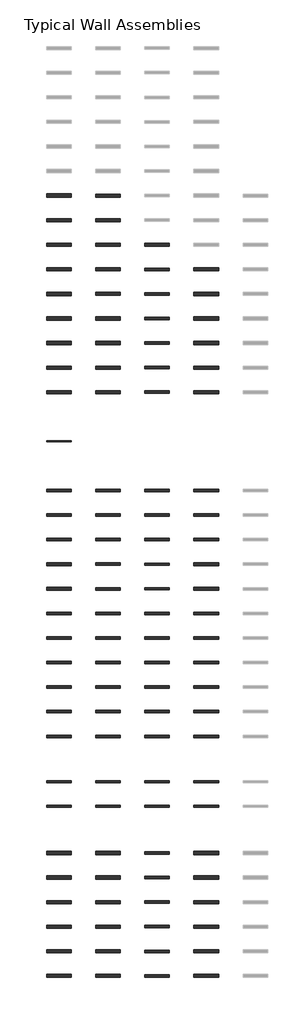
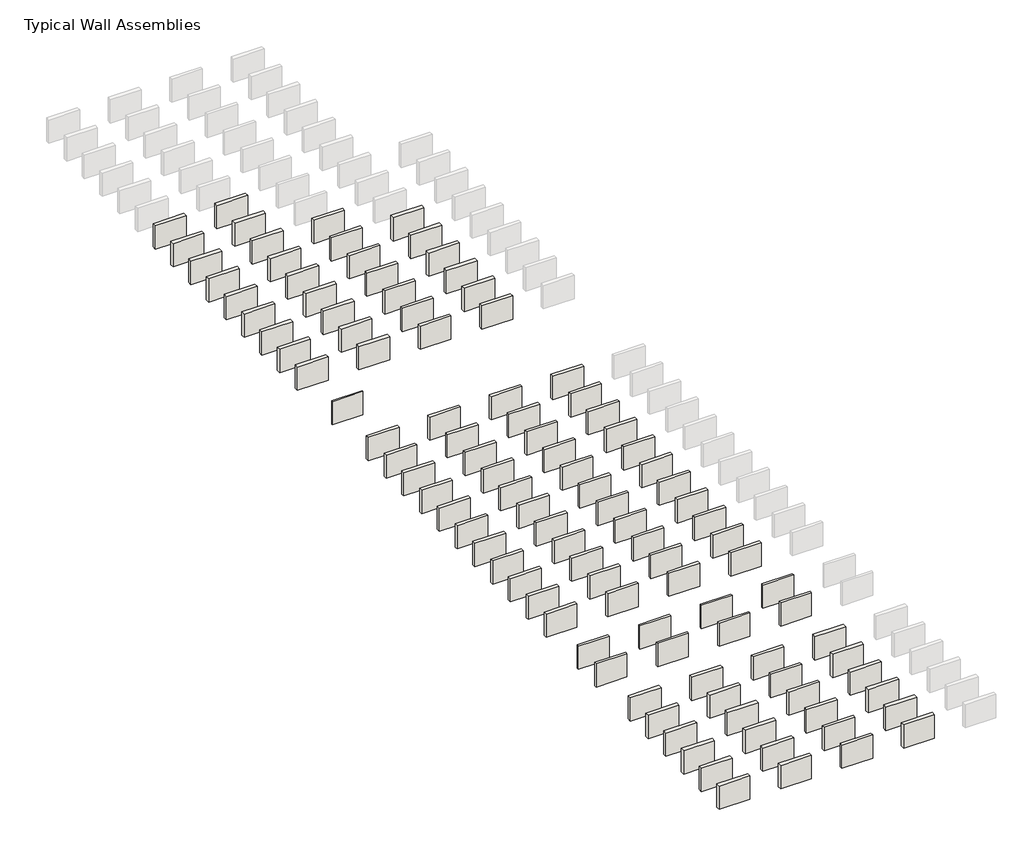
# One storey, part 1 of 8: 108 walls.
"""IFC4 building model written with IfcOpenShell, lengths in millimetres."""

from ifc_helpers import new_model, si_unit, frame, origin, place, context, project, spatial, polyline, outline, extrude, element, save

model = new_model("IFC4")

# Units and contexts
model_context = context("Model", 3, world=origin())
ifc_project = project(units=[si_unit("LENGTHUNIT", "METRE", prefix="MILLI")], contexts=[model_context])

# Site, building, storey
site = spatial("IfcSite", under=ifc_project)
building = spatial("IfcBuilding", under=site)
storey = spatial("IfcBuildingStorey", under=building, Name="Typical Wall Assemblies", Elevation=6096.0)

# Walls
placement = place(None, origin())
element("IfcWall", 1, at=placement, inside=storey, context=model_context, shape_type="SweptSolid", body=[
    extrude(outline(polyline([(-21027.125069, -114812.6467556), (-24075.125069, -114812.6467556), (-24075.125069, -114414.1842494), (-21027.125069, -114414.1842494), (-21027.125069, -114812.6467556)])), frame((0.0, 0.0, 6096.0), z_axis=(0.0, 0.0, 1.0), x_axis=(1.0, 0.0, 0.0)), (0.0, 0.0, 1.0), 2438.4),
])
element("IfcWall", 2, at=placement, inside=storey, context=model_context, shape_type="SweptSolid", body=[
    extrude(outline(polyline([(-14931.125069, -114807.8842556), (-17979.125069, -114807.8842556), (-17979.125069, -114418.9467494), (-14931.125069, -114418.9467494), (-14931.125069, -114807.8842556)])), frame((0.0, 0.0, 6096.0), z_axis=(0.0, 0.0, 1.0), x_axis=(1.0, 0.0, 0.0)), (0.0, 0.0, 1.0), 2438.4),
])
element("IfcWall", 3, at=placement, inside=storey, context=model_context, shape_type="SweptSolid", body=[
    extrude(outline(polyline([(-21027.125069, -117860.6467556), (-24075.125069, -117860.6467556), (-24075.125069, -117462.1842494), (-21027.125069, -117462.1842494), (-21027.125069, -117860.6467556)])), frame((0.0, 0.0, 6096.0), z_axis=(0.0, 0.0, 1.0), x_axis=(1.0, 0.0, 0.0)), (0.0, 0.0, 1.0), 2438.4),
])
element("IfcWall", 4, at=placement, inside=storey, context=model_context, shape_type="SweptSolid", body=[
    extrude(outline(polyline([(-14931.125069, -117855.8842556), (-17979.125069, -117855.8842556), (-17979.125069, -117466.9467494), (-14931.125069, -117466.9467494), (-14931.125069, -117855.8842556)])), frame((0.0, 0.0, 6096.0), z_axis=(0.0, 0.0, 1.0), x_axis=(1.0, 0.0, 0.0)), (0.0, 0.0, 1.0), 2438.4),
])
element("IfcWall", 5, at=placement, inside=storey, context=model_context, shape_type="SweptSolid", body=[
    extrude(outline(polyline([(-21027.125069, -120908.6467556), (-24075.125069, -120908.6467556), (-24075.125069, -120510.1842494), (-21027.125069, -120510.1842494), (-21027.125069, -120908.6467556)])), frame((0.0, 0.0, 6096.0), z_axis=(0.0, 0.0, 1.0), x_axis=(1.0, 0.0, 0.0)), (0.0, 0.0, 1.0), 2438.4),
])
element("IfcWall", 6, at=placement, inside=storey, context=model_context, shape_type="SweptSolid", body=[
    extrude(outline(polyline([(-14931.125069, -120903.8842556), (-17979.125069, -120903.8842556), (-17979.125069, -120514.9467494), (-14931.125069, -120514.9467494), (-14931.125069, -120903.8842556)])), frame((0.0, 0.0, 6096.0), z_axis=(0.0, 0.0, 1.0), x_axis=(1.0, 0.0, 0.0)), (0.0, 0.0, 1.0), 2438.4),
])
element("IfcWall", 7, at=placement, inside=storey, context=model_context, shape_type="SweptSolid", body=[
    extrude(outline(polyline([(-8835.125069, -120864.9905038), (-11883.125069, -120864.9905038), (-11883.125069, -120553.8405013), (-8835.125069, -120553.8405013), (-8835.125069, -120864.9905038)])), frame((0.0, 0.0, 6096.0), z_axis=(0.0, 0.0, 1.0), x_axis=(1.0, 0.0, 0.0)), (0.0, 0.0, 1.0), 2438.4),
])
element("IfcWall", 8, at=placement, inside=storey, context=model_context, shape_type="SweptSolid", body=[
    extrude(outline(polyline([(-21027.125069, -123956.6467556), (-24075.125069, -123956.6467556), (-24075.125069, -123558.1842494), (-21027.125069, -123558.1842494), (-21027.125069, -123956.6467556)])), frame((0.0, 0.0, 6096.0), z_axis=(0.0, 0.0, 1.0), x_axis=(1.0, 0.0, 0.0)), (0.0, 0.0, 1.0), 2438.4),
])
element("IfcWall", 9, at=placement, inside=storey, context=model_context, shape_type="SweptSolid", body=[
    extrude(outline(polyline([(-14931.125069, -123951.8842556), (-17979.125069, -123951.8842556), (-17979.125069, -123562.9467494), (-14931.125069, -123562.9467494), (-14931.125069, -123951.8842556)])), frame((0.0, 0.0, 6096.0), z_axis=(0.0, 0.0, 1.0), x_axis=(1.0, 0.0, 0.0)), (0.0, 0.0, 1.0), 2438.4),
])
element("IfcWall", 10, at=placement, inside=storey, context=model_context, shape_type="SweptSolid", body=[
    extrude(outline(polyline([(-8835.125069, -123912.9905038), (-11883.125069, -123912.9905038), (-11883.125069, -123601.8405013), (-8835.125069, -123601.8405013), (-8835.125069, -123912.9905038)])), frame((0.0, 0.0, 6096.0), z_axis=(0.0, 0.0, 1.0), x_axis=(1.0, 0.0, 0.0)), (0.0, 0.0, 1.0), 2438.4),
])
element("IfcWall", 11, at=placement, inside=storey, context=model_context, shape_type="SweptSolid", body=[
    extrude(outline(polyline([(-2739.125069, -123956.6467556), (-5787.125069, -123956.6467556), (-5787.125069, -123558.1842494), (-2739.125069, -123558.1842494), (-2739.125069, -123956.6467556)])), frame((0.0, 0.0, 6096.0), z_axis=(0.0, 0.0, 1.0), x_axis=(1.0, 0.0, 0.0)), (0.0, 0.0, 1.0), 2438.4),
])
element("IfcWall", 12, at=placement, inside=storey, context=model_context, shape_type="SweptSolid", body=[
    extrude(outline(polyline([(-21027.125069, -127004.6467556), (-24075.125069, -127004.6467556), (-24075.125069, -126606.1842494), (-21027.125069, -126606.1842494), (-21027.125069, -127004.6467556)])), frame((0.0, 0.0, 6096.0), z_axis=(0.0, 0.0, 1.0), x_axis=(1.0, 0.0, 0.0)), (0.0, 0.0, 1.0), 2438.4),
])
element("IfcWall", 13, at=placement, inside=storey, context=model_context, shape_type="SweptSolid", body=[
    extrude(outline(polyline([(-14931.125069, -126999.8842556), (-17979.125069, -126999.8842556), (-17979.125069, -126610.9467494), (-14931.125069, -126610.9467494), (-14931.125069, -126999.8842556)])), frame((0.0, 0.0, 6096.0), z_axis=(0.0, 0.0, 1.0), x_axis=(1.0, 0.0, 0.0)), (0.0, 0.0, 1.0), 2438.4),
])
element("IfcWall", 14, at=placement, inside=storey, context=model_context, shape_type="SweptSolid", body=[
    extrude(outline(polyline([(-8835.125069, -126960.9905038), (-11883.125069, -126960.9905038), (-11883.125069, -126649.8405013), (-8835.125069, -126649.8405013), (-8835.125069, -126960.9905038)])), frame((0.0, 0.0, 6096.0), z_axis=(0.0, 0.0, 1.0), x_axis=(1.0, 0.0, 0.0)), (0.0, 0.0, 1.0), 2438.4),
])
element("IfcWall", 15, at=placement, inside=storey, context=model_context, shape_type="SweptSolid", body=[
    extrude(outline(polyline([(-21027.125069, -130052.6467556), (-24075.125069, -130052.6467556), (-24075.125069, -129654.1842494), (-21027.125069, -129654.1842494), (-21027.125069, -130052.6467556)])), frame((0.0, 0.0, 6096.0), z_axis=(0.0, 0.0, 1.0), x_axis=(1.0, 0.0, 0.0)), (0.0, 0.0, 1.0), 2438.4),
])
element("IfcWall", 16, at=placement, inside=storey, context=model_context, shape_type="SweptSolid", body=[
    extrude(outline(polyline([(-14931.125069, -130047.8842556), (-17979.125069, -130047.8842556), (-17979.125069, -129658.9467494), (-14931.125069, -129658.9467494), (-14931.125069, -130047.8842556)])), frame((0.0, 0.0, 6096.0), z_axis=(0.0, 0.0, 1.0), x_axis=(1.0, 0.0, 0.0)), (0.0, 0.0, 1.0), 2438.4),
])
element("IfcWall", 17, at=placement, inside=storey, context=model_context, shape_type="SweptSolid", body=[
    extrude(outline(polyline([(-8835.125069, -130008.9905038), (-11883.125069, -130008.9905038), (-11883.125069, -129697.8405013), (-8835.125069, -129697.8405013), (-8835.125069, -130008.9905038)])), frame((0.0, 0.0, 6096.0), z_axis=(0.0, 0.0, 1.0), x_axis=(1.0, 0.0, 0.0)), (0.0, 0.0, 1.0), 2438.4),
])
element("IfcWall", 18, at=placement, inside=storey, context=model_context, shape_type="SweptSolid", body=[
    extrude(outline(polyline([(-21027.125069, -133100.6467556), (-24075.125069, -133100.6467556), (-24075.125069, -132702.1842494), (-21027.125069, -132702.1842494), (-21027.125069, -133100.6467556)])), frame((0.0, 0.0, 6096.0), z_axis=(0.0, 0.0, 1.0), x_axis=(1.0, 0.0, 0.0)), (0.0, 0.0, 1.0), 2438.4),
])
element("IfcWall", 19, at=placement, inside=storey, context=model_context, shape_type="SweptSolid", body=[
    extrude(outline(polyline([(-14931.125069, -133095.8842556), (-17979.125069, -133095.8842556), (-17979.125069, -132706.9467494), (-14931.125069, -132706.9467494), (-14931.125069, -133095.8842556)])), frame((0.0, 0.0, 6096.0), z_axis=(0.0, 0.0, 1.0), x_axis=(1.0, 0.0, 0.0)), (0.0, 0.0, 1.0), 2438.4),
])
element("IfcWall", 20, at=placement, inside=storey, context=model_context, shape_type="SweptSolid", body=[
    extrude(outline(polyline([(-8835.125069, -133056.9905038), (-11883.125069, -133056.9905038), (-11883.125069, -132745.8405013), (-8835.125069, -132745.8405013), (-8835.125069, -133056.9905038)])), frame((0.0, 0.0, 6096.0), z_axis=(0.0, 0.0, 1.0), x_axis=(1.0, 0.0, 0.0)), (0.0, 0.0, 1.0), 2438.4),
])
element("IfcWall", 21, at=placement, inside=storey, context=model_context, shape_type="SweptSolid", body=[
    extrude(outline(polyline([(-8835.125069, -136104.9905038), (-11883.125069, -136104.9905038), (-11883.125069, -135793.8405013), (-8835.125069, -135793.8405013), (-8835.125069, -136104.9905038)])), frame((0.0, 0.0, 6096.0), z_axis=(0.0, 0.0, 1.0), x_axis=(1.0, 0.0, 0.0)), (0.0, 0.0, 1.0), 2438.4),
])
element("IfcWall", 22, at=placement, inside=storey, context=model_context, shape_type="SweptSolid", body=[
    extrude(outline(polyline([(-8835.125069, -139152.9905038), (-11883.125069, -139152.9905038), (-11883.125069, -138841.8405013), (-8835.125069, -138841.8405013), (-8835.125069, -139152.9905038)])), frame((0.0, 0.0, 6096.0), z_axis=(0.0, 0.0, 1.0), x_axis=(1.0, 0.0, 0.0)), (0.0, 0.0, 1.0), 2438.4),
])
element("IfcWall", 23, at=placement, inside=storey, context=model_context, shape_type="SweptSolid", body=[
    extrude(outline(polyline([(-2739.125069, -139196.6467556), (-5787.125069, -139196.6467556), (-5787.125069, -138798.1842494), (-2739.125069, -138798.1842494), (-2739.125069, -139196.6467556)])), frame((0.0, 0.0, 6096.0), z_axis=(0.0, 0.0, 1.0), x_axis=(1.0, 0.0, 0.0)), (0.0, 0.0, 1.0), 2438.4),
])
element("IfcWall", 24, at=placement, inside=storey, context=model_context, shape_type="SweptSolid", body=[
    extrude(outline(polyline([(-21027.125069, -145144.215504), (-24075.125069, -145144.215504), (-24075.125069, -145042.615501), (-21027.125069, -145042.615501), (-21027.125069, -145144.215504)])), frame((0.0, 0.0, 6096.0), z_axis=(0.0, 0.0, 1.0), x_axis=(1.0, 0.0, 0.0)), (0.0, 0.0, 1.0), 2438.4),
])
element("IfcWall", 25, at=placement, inside=storey, context=model_context, shape_type="SweptSolid", body=[
    extrude(outline(polyline([(-21027.125069, -151352.1342574), (-24075.125069, -151352.1342574), (-24075.125069, -151026.6967477), (-21027.125069, -151026.6967477), (-21027.125069, -151352.1342574)])), frame((0.0, 0.0, 6096.0), z_axis=(0.0, 0.0, 1.0), x_axis=(1.0, 0.0, 0.0)), (0.0, 0.0, 1.0), 2438.4),
])
element("IfcWall", 26, at=placement, inside=storey, context=model_context, shape_type="SweptSolid", body=[
    extrude(outline(polyline([(-14931.125069, -151347.3717574), (-17979.125069, -151347.3717574), (-17979.125069, -151031.4592477), (-14931.125069, -151031.4592477), (-14931.125069, -151347.3717574)])), frame((0.0, 0.0, 6096.0), z_axis=(0.0, 0.0, 1.0), x_axis=(1.0, 0.0, 0.0)), (0.0, 0.0, 1.0), 2438.4),
])
element("IfcWall", 27, at=placement, inside=storey, context=model_context, shape_type="SweptSolid", body=[
    extrude(outline(polyline([(-8835.125069, -151337.0530064), (-11883.125069, -151337.0530064), (-11883.125069, -151041.7779987), (-8835.125069, -151041.7779987), (-8835.125069, -151337.0530064)])), frame((0.0, 0.0, 6096.0), z_axis=(0.0, 0.0, 1.0), x_axis=(1.0, 0.0, 0.0)), (0.0, 0.0, 1.0), 2438.4),
])
element("IfcWall", 28, at=placement, inside=storey, context=model_context, shape_type="SweptSolid", body=[
    extrude(outline(polyline([(-2739.125069, -151352.1342574), (-5787.125069, -151352.1342574), (-5787.125069, -151026.6967477), (-2739.125069, -151026.6967477), (-2739.125069, -151352.1342574)])), frame((0.0, 0.0, 6096.0), z_axis=(0.0, 0.0, 1.0), x_axis=(1.0, 0.0, 0.0)), (0.0, 0.0, 1.0), 2438.4),
])
element("IfcWall", 29, at=placement, inside=storey, context=model_context, shape_type="SweptSolid", body=[
    extrude(outline(polyline([(-21027.125069, -154400.1342574), (-24075.125069, -154400.1342574), (-24075.125069, -154074.6967477), (-21027.125069, -154074.6967477), (-21027.125069, -154400.1342574)])), frame((0.0, 0.0, 6096.0), z_axis=(0.0, 0.0, 1.0), x_axis=(1.0, 0.0, 0.0)), (0.0, 0.0, 1.0), 2438.4),
])
element("IfcWall", 30, at=placement, inside=storey, context=model_context, shape_type="SweptSolid", body=[
    extrude(outline(polyline([(-14931.125069, -154395.3717574), (-17979.125069, -154395.3717574), (-17979.125069, -154079.4592477), (-14931.125069, -154079.4592477), (-14931.125069, -154395.3717574)])), frame((0.0, 0.0, 6096.0), z_axis=(0.0, 0.0, 1.0), x_axis=(1.0, 0.0, 0.0)), (0.0, 0.0, 1.0), 2438.4),
])
element("IfcWall", 31, at=placement, inside=storey, context=model_context, shape_type="SweptSolid", body=[
    extrude(outline(polyline([(-8835.125069, -154385.0530064), (-11883.125069, -154385.0530064), (-11883.125069, -154089.7779987), (-8835.125069, -154089.7779987), (-8835.125069, -154385.0530064)])), frame((0.0, 0.0, 6096.0), z_axis=(0.0, 0.0, 1.0), x_axis=(1.0, 0.0, 0.0)), (0.0, 0.0, 1.0), 2438.4),
])
element("IfcWall", 32, at=placement, inside=storey, context=model_context, shape_type="SweptSolid", body=[
    extrude(outline(polyline([(-2739.125069, -154400.1342574), (-5787.125069, -154400.1342574), (-5787.125069, -154074.6967477), (-2739.125069, -154074.6967477), (-2739.125069, -154400.1342574)])), frame((0.0, 0.0, 6096.0), z_axis=(0.0, 0.0, 1.0), x_axis=(1.0, 0.0, 0.0)), (0.0, 0.0, 1.0), 2438.4),
])
element("IfcWall", 33, at=placement, inside=storey, context=model_context, shape_type="SweptSolid", body=[
    extrude(outline(polyline([(-21027.125069, -157448.1342574), (-24075.125069, -157448.1342574), (-24075.125069, -157122.6967477), (-21027.125069, -157122.6967477), (-21027.125069, -157448.1342574)])), frame((0.0, 0.0, 6096.0), z_axis=(0.0, 0.0, 1.0), x_axis=(1.0, 0.0, 0.0)), (0.0, 0.0, 1.0), 2438.4),
])
element("IfcWall", 34, at=placement, inside=storey, context=model_context, shape_type="SweptSolid", body=[
    extrude(outline(polyline([(-14931.125069, -157443.3717574), (-17979.125069, -157443.3717574), (-17979.125069, -157127.4592477), (-14931.125069, -157127.4592477), (-14931.125069, -157443.3717574)])), frame((0.0, 0.0, 6096.0), z_axis=(0.0, 0.0, 1.0), x_axis=(1.0, 0.0, 0.0)), (0.0, 0.0, 1.0), 2438.4),
])
element("IfcWall", 35, at=placement, inside=storey, context=model_context, shape_type="SweptSolid", body=[
    extrude(outline(polyline([(-8835.125069, -157433.0530064), (-11883.125069, -157433.0530064), (-11883.125069, -157137.7779987), (-8835.125069, -157137.7779987), (-8835.125069, -157433.0530064)])), frame((0.0, 0.0, 6096.0), z_axis=(0.0, 0.0, 1.0), x_axis=(1.0, 0.0, 0.0)), (0.0, 0.0, 1.0), 2438.4),
])
element("IfcWall", 36, at=placement, inside=storey, context=model_context, shape_type="SweptSolid", body=[
    extrude(outline(polyline([(-2739.125069, -157448.1342574), (-5787.125069, -157448.1342574), (-5787.125069, -157122.6967477), (-2739.125069, -157122.6967477), (-2739.125069, -157448.1342574)])), frame((0.0, 0.0, 6096.0), z_axis=(0.0, 0.0, 1.0), x_axis=(1.0, 0.0, 0.0)), (0.0, 0.0, 1.0), 2438.4),
])
element("IfcWall", 37, at=placement, inside=storey, context=model_context, shape_type="SweptSolid", body=[
    extrude(outline(polyline([(-21027.125069, -160496.1342574), (-24075.125069, -160496.1342574), (-24075.125069, -160170.6967477), (-21027.125069, -160170.6967477), (-21027.125069, -160496.1342574)])), frame((0.0, 0.0, 6096.0), z_axis=(0.0, 0.0, 1.0), x_axis=(1.0, 0.0, 0.0)), (0.0, 0.0, 1.0), 2438.4),
])
element("IfcWall", 38, at=placement, inside=storey, context=model_context, shape_type="SweptSolid", body=[
    extrude(outline(polyline([(-14931.125069, -160491.3717574), (-17979.125069, -160491.3717574), (-17979.125069, -160175.4592477), (-14931.125069, -160175.4592477), (-14931.125069, -160491.3717574)])), frame((0.0, 0.0, 6096.0), z_axis=(0.0, 0.0, 1.0), x_axis=(1.0, 0.0, 0.0)), (0.0, 0.0, 1.0), 2438.4),
])
element("IfcWall", 39, at=placement, inside=storey, context=model_context, shape_type="SweptSolid", body=[
    extrude(outline(polyline([(-8835.125069, -160481.0530064), (-11883.125069, -160481.0530064), (-11883.125069, -160185.7779987), (-8835.125069, -160185.7779987), (-8835.125069, -160481.0530064)])), frame((0.0, 0.0, 6096.0), z_axis=(0.0, 0.0, 1.0), x_axis=(1.0, 0.0, 0.0)), (0.0, 0.0, 1.0), 2438.4),
])
element("IfcWall", 40, at=placement, inside=storey, context=model_context, shape_type="SweptSolid", body=[
    extrude(outline(polyline([(-2739.125069, -160496.1342574), (-5787.125069, -160496.1342574), (-5787.125069, -160170.6967477), (-2739.125069, -160170.6967477), (-2739.125069, -160496.1342574)])), frame((0.0, 0.0, 6096.0), z_axis=(0.0, 0.0, 1.0), x_axis=(1.0, 0.0, 0.0)), (0.0, 0.0, 1.0), 2438.4),
])
element("IfcWall", 41, at=placement, inside=storey, context=model_context, shape_type="SweptSolid", body=[
    extrude(outline(polyline([(-21027.125069, -163544.1342574), (-24075.125069, -163544.1342574), (-24075.125069, -163218.6967477), (-21027.125069, -163218.6967477), (-21027.125069, -163544.1342574)])), frame((0.0, 0.0, 6096.0), z_axis=(0.0, 0.0, 1.0), x_axis=(1.0, 0.0, 0.0)), (0.0, 0.0, 1.0), 2438.4),
])
element("IfcWall", 42, at=placement, inside=storey, context=model_context, shape_type="SweptSolid", body=[
    extrude(outline(polyline([(-14931.125069, -163539.3717574), (-17979.125069, -163539.3717574), (-17979.125069, -163223.4592477), (-14931.125069, -163223.4592477), (-14931.125069, -163539.3717574)])), frame((0.0, 0.0, 6096.0), z_axis=(0.0, 0.0, 1.0), x_axis=(1.0, 0.0, 0.0)), (0.0, 0.0, 1.0), 2438.4),
])
element("IfcWall", 43, at=placement, inside=storey, context=model_context, shape_type="SweptSolid", body=[
    extrude(outline(polyline([(-8835.125069, -163529.0530064), (-11883.125069, -163529.0530064), (-11883.125069, -163233.7779987), (-8835.125069, -163233.7779987), (-8835.125069, -163529.0530064)])), frame((0.0, 0.0, 6096.0), z_axis=(0.0, 0.0, 1.0), x_axis=(1.0, 0.0, 0.0)), (0.0, 0.0, 1.0), 2438.4),
])
element("IfcWall", 44, at=placement, inside=storey, context=model_context, shape_type="SweptSolid", body=[
    extrude(outline(polyline([(-2739.125069, -163544.1342574), (-5787.125069, -163544.1342574), (-5787.125069, -163218.6967477), (-2739.125069, -163218.6967477), (-2739.125069, -163544.1342574)])), frame((0.0, 0.0, 6096.0), z_axis=(0.0, 0.0, 1.0), x_axis=(1.0, 0.0, 0.0)), (0.0, 0.0, 1.0), 2438.4),
])
element("IfcWall", 45, at=placement, inside=storey, context=model_context, shape_type="SweptSolid", body=[
    extrude(outline(polyline([(-21027.125069, -166592.1342574), (-24075.125069, -166592.1342574), (-24075.125069, -166266.6967477), (-21027.125069, -166266.6967477), (-21027.125069, -166592.1342574)])), frame((0.0, 0.0, 6096.0), z_axis=(0.0, 0.0, 1.0), x_axis=(1.0, 0.0, 0.0)), (0.0, 0.0, 1.0), 2438.4),
])
element("IfcWall", 46, at=placement, inside=storey, context=model_context, shape_type="SweptSolid", body=[
    extrude(outline(polyline([(-14931.125069, -166587.3717574), (-17979.125069, -166587.3717574), (-17979.125069, -166271.4592477), (-14931.125069, -166271.4592477), (-14931.125069, -166587.3717574)])), frame((0.0, 0.0, 6096.0), z_axis=(0.0, 0.0, 1.0), x_axis=(1.0, 0.0, 0.0)), (0.0, 0.0, 1.0), 2438.4),
])
element("IfcWall", 47, at=placement, inside=storey, context=model_context, shape_type="SweptSolid", body=[
    extrude(outline(polyline([(-8835.125069, -166577.0530064), (-11883.125069, -166577.0530064), (-11883.125069, -166281.7779987), (-8835.125069, -166281.7779987), (-8835.125069, -166577.0530064)])), frame((0.0, 0.0, 6096.0), z_axis=(0.0, 0.0, 1.0), x_axis=(1.0, 0.0, 0.0)), (0.0, 0.0, 1.0), 2438.4),
])
element("IfcWall", 48, at=placement, inside=storey, context=model_context, shape_type="SweptSolid", body=[
    extrude(outline(polyline([(-2739.125069, -166592.1342574), (-5787.125069, -166592.1342574), (-5787.125069, -166266.6967477), (-2739.125069, -166266.6967477), (-2739.125069, -166592.1342574)])), frame((0.0, 0.0, 6096.0), z_axis=(0.0, 0.0, 1.0), x_axis=(1.0, 0.0, 0.0)), (0.0, 0.0, 1.0), 2438.4),
])
element("IfcWall", 49, at=placement, inside=storey, context=model_context, shape_type="SweptSolid", body=[
    extrude(outline(polyline([(-21027.125069, -169640.1342574), (-24075.125069, -169640.1342574), (-24075.125069, -169314.6967477), (-21027.125069, -169314.6967477), (-21027.125069, -169640.1342574)])), frame((0.0, 0.0, 6096.0), z_axis=(0.0, 0.0, 1.0), x_axis=(1.0, 0.0, 0.0)), (0.0, 0.0, 1.0), 2438.4),
])
element("IfcWall", 50, at=placement, inside=storey, context=model_context, shape_type="SweptSolid", body=[
    extrude(outline(polyline([(-14931.125069, -169635.3717574), (-17979.125069, -169635.3717574), (-17979.125069, -169319.4592477), (-14931.125069, -169319.4592477), (-14931.125069, -169635.3717574)])), frame((0.0, 0.0, 6096.0), z_axis=(0.0, 0.0, 1.0), x_axis=(1.0, 0.0, 0.0)), (0.0, 0.0, 1.0), 2438.4),
])
element("IfcWall", 51, at=placement, inside=storey, context=model_context, shape_type="SweptSolid", body=[
    extrude(outline(polyline([(-8835.125069, -169625.0530064), (-11883.125069, -169625.0530064), (-11883.125069, -169329.7779987), (-8835.125069, -169329.7779987), (-8835.125069, -169625.0530064)])), frame((0.0, 0.0, 6096.0), z_axis=(0.0, 0.0, 1.0), x_axis=(1.0, 0.0, 0.0)), (0.0, 0.0, 1.0), 2438.4),
])
element("IfcWall", 52, at=placement, inside=storey, context=model_context, shape_type="SweptSolid", body=[
    extrude(outline(polyline([(-2739.125069, -169640.1342574), (-5787.125069, -169640.1342574), (-5787.125069, -169314.6967477), (-2739.125069, -169314.6967477), (-2739.125069, -169640.1342574)])), frame((0.0, 0.0, 6096.0), z_axis=(0.0, 0.0, 1.0), x_axis=(1.0, 0.0, 0.0)), (0.0, 0.0, 1.0), 2438.4),
])
element("IfcWall", 53, at=placement, inside=storey, context=model_context, shape_type="SweptSolid", body=[
    extrude(outline(polyline([(-21027.125069, -172688.1342574), (-24075.125069, -172688.1342574), (-24075.125069, -172362.6967477), (-21027.125069, -172362.6967477), (-21027.125069, -172688.1342574)])), frame((0.0, 0.0, 6096.0), z_axis=(0.0, 0.0, 1.0), x_axis=(1.0, 0.0, 0.0)), (0.0, 0.0, 1.0), 2438.4),
])
element("IfcWall", 54, at=placement, inside=storey, context=model_context, shape_type="SweptSolid", body=[
    extrude(outline(polyline([(-14931.125069, -172683.3717574), (-17979.125069, -172683.3717574), (-17979.125069, -172367.4592477), (-14931.125069, -172367.4592477), (-14931.125069, -172683.3717574)])), frame((0.0, 0.0, 6096.0), z_axis=(0.0, 0.0, 1.0), x_axis=(1.0, 0.0, 0.0)), (0.0, 0.0, 1.0), 2438.4),
])
element("IfcWall", 55, at=placement, inside=storey, context=model_context, shape_type="SweptSolid", body=[
    extrude(outline(polyline([(-8835.125069, -172673.0530064), (-11883.125069, -172673.0530064), (-11883.125069, -172377.7779987), (-8835.125069, -172377.7779987), (-8835.125069, -172673.0530064)])), frame((0.0, 0.0, 6096.0), z_axis=(0.0, 0.0, 1.0), x_axis=(1.0, 0.0, 0.0)), (0.0, 0.0, 1.0), 2438.4),
])
element("IfcWall", 56, at=placement, inside=storey, context=model_context, shape_type="SweptSolid", body=[
    extrude(outline(polyline([(-2739.125069, -172688.1342574), (-5787.125069, -172688.1342574), (-5787.125069, -172362.6967477), (-2739.125069, -172362.6967477), (-2739.125069, -172688.1342574)])), frame((0.0, 0.0, 6096.0), z_axis=(0.0, 0.0, 1.0), x_axis=(1.0, 0.0, 0.0)), (0.0, 0.0, 1.0), 2438.4),
])
element("IfcWall", 57, at=placement, inside=storey, context=model_context, shape_type="SweptSolid", body=[
    extrude(outline(polyline([(-21027.125069, -175736.1342574), (-24075.125069, -175736.1342574), (-24075.125069, -175410.6967477), (-21027.125069, -175410.6967477), (-21027.125069, -175736.1342574)])), frame((0.0, 0.0, 6096.0), z_axis=(0.0, 0.0, 1.0), x_axis=(1.0, 0.0, 0.0)), (0.0, 0.0, 1.0), 2438.4),
])
element("IfcWall", 58, at=placement, inside=storey, context=model_context, shape_type="SweptSolid", body=[
    extrude(outline(polyline([(-14931.125069, -175731.3717574), (-17979.125069, -175731.3717574), (-17979.125069, -175415.4592477), (-14931.125069, -175415.4592477), (-14931.125069, -175731.3717574)])), frame((0.0, 0.0, 6096.0), z_axis=(0.0, 0.0, 1.0), x_axis=(1.0, 0.0, 0.0)), (0.0, 0.0, 1.0), 2438.4),
])
element("IfcWall", 59, at=placement, inside=storey, context=model_context, shape_type="SweptSolid", body=[
    extrude(outline(polyline([(-8835.125069, -175721.0530064), (-11883.125069, -175721.0530064), (-11883.125069, -175425.7779987), (-8835.125069, -175425.7779987), (-8835.125069, -175721.0530064)])), frame((0.0, 0.0, 6096.0), z_axis=(0.0, 0.0, 1.0), x_axis=(1.0, 0.0, 0.0)), (0.0, 0.0, 1.0), 2438.4),
])
element("IfcWall", 60, at=placement, inside=storey, context=model_context, shape_type="SweptSolid", body=[
    extrude(outline(polyline([(-2739.125069, -175736.1342574), (-5787.125069, -175736.1342574), (-5787.125069, -175410.6967477), (-2739.125069, -175410.6967477), (-2739.125069, -175736.1342574)])), frame((0.0, 0.0, 6096.0), z_axis=(0.0, 0.0, 1.0), x_axis=(1.0, 0.0, 0.0)), (0.0, 0.0, 1.0), 2438.4),
])
element("IfcWall", 61, at=placement, inside=storey, context=model_context, shape_type="SweptSolid", body=[
    extrude(outline(polyline([(-21027.125069, -178784.1342574), (-24075.125069, -178784.1342574), (-24075.125069, -178458.6967477), (-21027.125069, -178458.6967477), (-21027.125069, -178784.1342574)])), frame((0.0, 0.0, 6096.0), z_axis=(0.0, 0.0, 1.0), x_axis=(1.0, 0.0, 0.0)), (0.0, 0.0, 1.0), 2438.4),
])
element("IfcWall", 62, at=placement, inside=storey, context=model_context, shape_type="SweptSolid", body=[
    extrude(outline(polyline([(-14931.125069, -178779.3717574), (-17979.125069, -178779.3717574), (-17979.125069, -178463.4592477), (-14931.125069, -178463.4592477), (-14931.125069, -178779.3717574)])), frame((0.0, 0.0, 6096.0), z_axis=(0.0, 0.0, 1.0), x_axis=(1.0, 0.0, 0.0)), (0.0, 0.0, 1.0), 2438.4),
])
element("IfcWall", 63, at=placement, inside=storey, context=model_context, shape_type="SweptSolid", body=[
    extrude(outline(polyline([(-8835.125069, -178769.0530064), (-11883.125069, -178769.0530064), (-11883.125069, -178473.7779987), (-8835.125069, -178473.7779987), (-8835.125069, -178769.0530064)])), frame((0.0, 0.0, 6096.0), z_axis=(0.0, 0.0, 1.0), x_axis=(1.0, 0.0, 0.0)), (0.0, 0.0, 1.0), 2438.4),
])
element("IfcWall", 64, at=placement, inside=storey, context=model_context, shape_type="SweptSolid", body=[
    extrude(outline(polyline([(-2739.125069, -178784.1342574), (-5787.125069, -178784.1342574), (-5787.125069, -178458.6967477), (-2739.125069, -178458.6967477), (-2739.125069, -178784.1342574)])), frame((0.0, 0.0, 6096.0), z_axis=(0.0, 0.0, 1.0), x_axis=(1.0, 0.0, 0.0)), (0.0, 0.0, 1.0), 2438.4),
])
element("IfcWall", 65, at=placement, inside=storey, context=model_context, shape_type="SweptSolid", body=[
    extrude(outline(polyline([(-21027.125069, -187426.4842561), (-24075.125069, -187426.4842561), (-24075.125069, -187189.946749), (-21027.125069, -187189.946749), (-21027.125069, -187426.4842561)])), frame((0.0, 0.0, 6096.0), z_axis=(0.0, 0.0, 1.0), x_axis=(1.0, 0.0, 0.0)), (0.0, 0.0, 1.0), 2438.4),
])
element("IfcWall", 66, at=placement, inside=storey, context=model_context, shape_type="SweptSolid", body=[
    extrude(outline(polyline([(-14931.125069, -187421.7217561), (-17979.125069, -187421.7217561), (-17979.125069, -187194.709249), (-14931.125069, -187194.709249), (-14931.125069, -187421.7217561)])), frame((0.0, 0.0, 6096.0), z_axis=(0.0, 0.0, 1.0), x_axis=(1.0, 0.0, 0.0)), (0.0, 0.0, 1.0), 2438.4),
])
element("IfcWall", 67, at=placement, inside=storey, context=model_context, shape_type="SweptSolid", body=[
    extrude(outline(polyline([(-8835.125069, -187411.403005), (-11883.125069, -187411.403005), (-11883.125069, -187205.028), (-8835.125069, -187205.028), (-8835.125069, -187411.403005)])), frame((0.0, 0.0, 6096.0), z_axis=(0.0, 0.0, 1.0), x_axis=(1.0, 0.0, 0.0)), (0.0, 0.0, 1.0), 2438.4),
])
element("IfcWall", 68, at=placement, inside=storey, context=model_context, shape_type="SweptSolid", body=[
    extrude(outline(polyline([(-2739.125069, -187426.4842561), (-5787.125069, -187426.4842561), (-5787.125069, -187189.946749), (-2739.125069, -187189.946749), (-2739.125069, -187426.4842561)])), frame((0.0, 0.0, 6096.0), z_axis=(0.0, 0.0, 1.0), x_axis=(1.0, 0.0, 0.0)), (0.0, 0.0, 1.0), 2438.4),
])
element("IfcWall", 69, at=placement, inside=storey, context=model_context, shape_type="SweptSolid", body=[
    extrude(outline(polyline([(-21027.125069, -190474.4842561), (-24075.125069, -190474.4842561), (-24075.125069, -190237.946749), (-21027.125069, -190237.946749), (-21027.125069, -190474.4842561)])), frame((0.0, 0.0, 6096.0), z_axis=(0.0, 0.0, 1.0), x_axis=(1.0, 0.0, 0.0)), (0.0, 0.0, 1.0), 2438.4),
])
element("IfcWall", 70, at=placement, inside=storey, context=model_context, shape_type="SweptSolid", body=[
    extrude(outline(polyline([(-14931.125069, -190469.7217561), (-17979.125069, -190469.7217561), (-17979.125069, -190242.709249), (-14931.125069, -190242.709249), (-14931.125069, -190469.7217561)])), frame((0.0, 0.0, 6096.0), z_axis=(0.0, 0.0, 1.0), x_axis=(1.0, 0.0, 0.0)), (0.0, 0.0, 1.0), 2438.4),
])
element("IfcWall", 71, at=placement, inside=storey, context=model_context, shape_type="SweptSolid", body=[
    extrude(outline(polyline([(-8835.125069, -190459.403005), (-11883.125069, -190459.403005), (-11883.125069, -190253.028), (-8835.125069, -190253.028), (-8835.125069, -190459.403005)])), frame((0.0, 0.0, 6096.0), z_axis=(0.0, 0.0, 1.0), x_axis=(1.0, 0.0, 0.0)), (0.0, 0.0, 1.0), 2438.4),
])
element("IfcWall", 72, at=placement, inside=storey, context=model_context, shape_type="SweptSolid", body=[
    extrude(outline(polyline([(-2739.125069, -190474.4842561), (-5787.125069, -190474.4842561), (-5787.125069, -190237.946749), (-2739.125069, -190237.946749), (-2739.125069, -190474.4842561)])), frame((0.0, 0.0, 6096.0), z_axis=(0.0, 0.0, 1.0), x_axis=(1.0, 0.0, 0.0)), (0.0, 0.0, 1.0), 2438.4),
])
element("IfcWall", 73, at=placement, inside=storey, context=model_context, shape_type="SweptSolid", body=[
    extrude(outline(polyline([(-21027.125069, -196346.6467556), (-24075.125069, -196346.6467556), (-24075.125069, -195948.1842494), (-21027.125069, -195948.1842494), (-21027.125069, -196346.6467556)])), frame((0.0, 0.0, 6096.0), z_axis=(0.0, 0.0, 1.0), x_axis=(1.0, 0.0, 0.0)), (0.0, 0.0, 1.0), 2438.4),
])
element("IfcWall", 74, at=placement, inside=storey, context=model_context, shape_type="SweptSolid", body=[
    extrude(outline(polyline([(-14931.125069, -196341.8842556), (-17979.125069, -196341.8842556), (-17979.125069, -195952.9467494), (-14931.125069, -195952.9467494), (-14931.125069, -196341.8842556)])), frame((0.0, 0.0, 6096.0), z_axis=(0.0, 0.0, 1.0), x_axis=(1.0, 0.0, 0.0)), (0.0, 0.0, 1.0), 2438.4),
])
element("IfcWall", 75, at=placement, inside=storey, context=model_context, shape_type="SweptSolid", body=[
    extrude(outline(polyline([(-8835.125069, -196302.9905038), (-11883.125069, -196302.9905038), (-11883.125069, -195991.8405013), (-8835.125069, -195991.8405013), (-8835.125069, -196302.9905038)])), frame((0.0, 0.0, 6096.0), z_axis=(0.0, 0.0, 1.0), x_axis=(1.0, 0.0, 0.0)), (0.0, 0.0, 1.0), 2438.4),
])
element("IfcWall", 76, at=placement, inside=storey, context=model_context, shape_type="SweptSolid", body=[
    extrude(outline(polyline([(-2739.125069, -196346.6467556), (-5787.125069, -196346.6467556), (-5787.125069, -195948.1842494), (-2739.125069, -195948.1842494), (-2739.125069, -196346.6467556)])), frame((0.0, 0.0, 6096.0), z_axis=(0.0, 0.0, 1.0), x_axis=(1.0, 0.0, 0.0)), (0.0, 0.0, 1.0), 2438.4),
])
element("IfcWall", 77, at=placement, inside=storey, context=model_context, shape_type="SweptSolid", body=[
    extrude(outline(polyline([(-21027.125069, -199394.6467556), (-24075.125069, -199394.6467556), (-24075.125069, -198996.1842494), (-21027.125069, -198996.1842494), (-21027.125069, -199394.6467556)])), frame((0.0, 0.0, 6096.0), z_axis=(0.0, 0.0, 1.0), x_axis=(1.0, 0.0, 0.0)), (0.0, 0.0, 1.0), 2438.4),
])
element("IfcWall", 78, at=placement, inside=storey, context=model_context, shape_type="SweptSolid", body=[
    extrude(outline(polyline([(-14931.125069, -199389.8842556), (-17979.125069, -199389.8842556), (-17979.125069, -199000.9467494), (-14931.125069, -199000.9467494), (-14931.125069, -199389.8842556)])), frame((0.0, 0.0, 6096.0), z_axis=(0.0, 0.0, 1.0), x_axis=(1.0, 0.0, 0.0)), (0.0, 0.0, 1.0), 2438.4),
])
element("IfcWall", 79, at=placement, inside=storey, context=model_context, shape_type="SweptSolid", body=[
    extrude(outline(polyline([(-8835.125069, -199350.9905038), (-11883.125069, -199350.9905038), (-11883.125069, -199039.8405013), (-8835.125069, -199039.8405013), (-8835.125069, -199350.9905038)])), frame((0.0, 0.0, 6096.0), z_axis=(0.0, 0.0, 1.0), x_axis=(1.0, 0.0, 0.0)), (0.0, 0.0, 1.0), 2438.4),
])
element("IfcWall", 80, at=placement, inside=storey, context=model_context, shape_type="SweptSolid", body=[
    extrude(outline(polyline([(-2739.125069, -199394.6467556), (-5787.125069, -199394.6467556), (-5787.125069, -198996.1842494), (-2739.125069, -198996.1842494), (-2739.125069, -199394.6467556)])), frame((0.0, 0.0, 6096.0), z_axis=(0.0, 0.0, 1.0), x_axis=(1.0, 0.0, 0.0)), (0.0, 0.0, 1.0), 2438.4),
])
element("IfcWall", 81, at=placement, inside=storey, context=model_context, shape_type="SweptSolid", body=[
    extrude(outline(polyline([(-21027.125069, -202442.6467556), (-24075.125069, -202442.6467556), (-24075.125069, -202044.1842494), (-21027.125069, -202044.1842494), (-21027.125069, -202442.6467556)])), frame((0.0, 0.0, 6096.0), z_axis=(0.0, 0.0, 1.0), x_axis=(1.0, 0.0, 0.0)), (0.0, 0.0, 1.0), 2438.4),
])
element("IfcWall", 82, at=placement, inside=storey, context=model_context, shape_type="SweptSolid", body=[
    extrude(outline(polyline([(-14931.125069, -202437.8842556), (-17979.125069, -202437.8842556), (-17979.125069, -202048.9467494), (-14931.125069, -202048.9467494), (-14931.125069, -202437.8842556)])), frame((0.0, 0.0, 6096.0), z_axis=(0.0, 0.0, 1.0), x_axis=(1.0, 0.0, 0.0)), (0.0, 0.0, 1.0), 2438.4),
])
element("IfcWall", 83, at=placement, inside=storey, context=model_context, shape_type="SweptSolid", body=[
    extrude(outline(polyline([(-8835.125069, -202398.9905038), (-11883.125069, -202398.9905038), (-11883.125069, -202087.8405013), (-8835.125069, -202087.8405013), (-8835.125069, -202398.9905038)])), frame((0.0, 0.0, 6096.0), z_axis=(0.0, 0.0, 1.0), x_axis=(1.0, 0.0, 0.0)), (0.0, 0.0, 1.0), 2438.4),
])
element("IfcWall", 84, at=placement, inside=storey, context=model_context, shape_type="SweptSolid", body=[
    extrude(outline(polyline([(-2739.125069, -202442.6467556), (-5787.125069, -202442.6467556), (-5787.125069, -202044.1842494), (-2739.125069, -202044.1842494), (-2739.125069, -202442.6467556)])), frame((0.0, 0.0, 6096.0), z_axis=(0.0, 0.0, 1.0), x_axis=(1.0, 0.0, 0.0)), (0.0, 0.0, 1.0), 2438.4),
])
element("IfcWall", 85, at=placement, inside=storey, context=model_context, shape_type="SweptSolid", body=[
    extrude(outline(polyline([(-21027.125069, -205490.6467556), (-24075.125069, -205490.6467556), (-24075.125069, -205092.1842494), (-21027.125069, -205092.1842494), (-21027.125069, -205490.6467556)])), frame((0.0, 0.0, 6096.0), z_axis=(0.0, 0.0, 1.0), x_axis=(1.0, 0.0, 0.0)), (0.0, 0.0, 1.0), 2438.4),
])
element("IfcWall", 86, at=placement, inside=storey, context=model_context, shape_type="SweptSolid", body=[
    extrude(outline(polyline([(-14931.125069, -205485.8842556), (-17979.125069, -205485.8842556), (-17979.125069, -205096.9467494), (-14931.125069, -205096.9467494), (-14931.125069, -205485.8842556)])), frame((0.0, 0.0, 6096.0), z_axis=(0.0, 0.0, 1.0), x_axis=(1.0, 0.0, 0.0)), (0.0, 0.0, 1.0), 2438.4),
])
element("IfcWall", 87, at=placement, inside=storey, context=model_context, shape_type="SweptSolid", body=[
    extrude(outline(polyline([(-8835.125069, -205446.9905038), (-11883.125069, -205446.9905038), (-11883.125069, -205135.8405013), (-8835.125069, -205135.8405013), (-8835.125069, -205446.9905038)])), frame((0.0, 0.0, 6096.0), z_axis=(0.0, 0.0, 1.0), x_axis=(1.0, 0.0, 0.0)), (0.0, 0.0, 1.0), 2438.4),
])
element("IfcWall", 88, at=placement, inside=storey, context=model_context, shape_type="SweptSolid", body=[
    extrude(outline(polyline([(-2739.125069, -205490.6467556), (-5787.125069, -205490.6467556), (-5787.125069, -205092.1842494), (-2739.125069, -205092.1842494), (-2739.125069, -205490.6467556)])), frame((0.0, 0.0, 6096.0), z_axis=(0.0, 0.0, 1.0), x_axis=(1.0, 0.0, 0.0)), (0.0, 0.0, 1.0), 2438.4),
])
element("IfcWall", 89, at=placement, inside=storey, context=model_context, shape_type="SweptSolid", body=[
    extrude(outline(polyline([(-21027.125069, -208538.6467556), (-24075.125069, -208538.6467556), (-24075.125069, -208140.1842494), (-21027.125069, -208140.1842494), (-21027.125069, -208538.6467556)])), frame((0.0, 0.0, 6096.0), z_axis=(0.0, 0.0, 1.0), x_axis=(1.0, 0.0, 0.0)), (0.0, 0.0, 1.0), 2438.4),
])
element("IfcWall", 90, at=placement, inside=storey, context=model_context, shape_type="SweptSolid", body=[
    extrude(outline(polyline([(-14931.125069, -208533.8842556), (-17979.125069, -208533.8842556), (-17979.125069, -208144.9467494), (-14931.125069, -208144.9467494), (-14931.125069, -208533.8842556)])), frame((0.0, 0.0, 6096.0), z_axis=(0.0, 0.0, 1.0), x_axis=(1.0, 0.0, 0.0)), (0.0, 0.0, 1.0), 2438.4),
])
element("IfcWall", 91, at=placement, inside=storey, context=model_context, shape_type="SweptSolid", body=[
    extrude(outline(polyline([(-8835.125069, -208494.9905038), (-11883.125069, -208494.9905038), (-11883.125069, -208183.8405013), (-8835.125069, -208183.8405013), (-8835.125069, -208494.9905038)])), frame((0.0, 0.0, 6096.0), z_axis=(0.0, 0.0, 1.0), x_axis=(1.0, 0.0, 0.0)), (0.0, 0.0, 1.0), 2438.4),
])
element("IfcWall", 92, at=placement, inside=storey, context=model_context, shape_type="SweptSolid", body=[
    extrude(outline(polyline([(-2739.125069, -208538.6467556), (-5787.125069, -208538.6467556), (-5787.125069, -208140.1842494), (-2739.125069, -208140.1842494), (-2739.125069, -208538.6467556)])), frame((0.0, 0.0, 6096.0), z_axis=(0.0, 0.0, 1.0), x_axis=(1.0, 0.0, 0.0)), (0.0, 0.0, 1.0), 2438.4),
])
element("IfcWall", 93, at=placement, inside=storey, context=model_context, shape_type="SweptSolid", body=[
    extrude(outline(polyline([(-21027.125069, -211586.6467556), (-24075.125069, -211586.6467556), (-24075.125069, -211188.1842494), (-21027.125069, -211188.1842494), (-21027.125069, -211586.6467556)])), frame((0.0, 0.0, 6096.0), z_axis=(0.0, 0.0, 1.0), x_axis=(1.0, 0.0, 0.0)), (0.0, 0.0, 1.0), 2438.4),
])
element("IfcWall", 94, at=placement, inside=storey, context=model_context, shape_type="SweptSolid", body=[
    extrude(outline(polyline([(-14931.125069, -211581.8842556), (-17979.125069, -211581.8842556), (-17979.125069, -211192.9467494), (-14931.125069, -211192.9467494), (-14931.125069, -211581.8842556)])), frame((0.0, 0.0, 6096.0), z_axis=(0.0, 0.0, 1.0), x_axis=(1.0, 0.0, 0.0)), (0.0, 0.0, 1.0), 2438.4),
])
element("IfcWall", 95, at=placement, inside=storey, context=model_context, shape_type="SweptSolid", body=[
    extrude(outline(polyline([(-8835.125069, -211542.9905038), (-11883.125069, -211542.9905038), (-11883.125069, -211231.8405013), (-8835.125069, -211231.8405013), (-8835.125069, -211542.9905038)])), frame((0.0, 0.0, 6096.0), z_axis=(0.0, 0.0, 1.0), x_axis=(1.0, 0.0, 0.0)), (0.0, 0.0, 1.0), 2438.4),
])
element("IfcWall", 96, at=placement, inside=storey, context=model_context, shape_type="SweptSolid", body=[
    extrude(outline(polyline([(-2739.125069, -211586.6467556), (-5787.125069, -211586.6467556), (-5787.125069, -211188.1842494), (-2739.125069, -211188.1842494), (-2739.125069, -211586.6467556)])), frame((0.0, 0.0, 6096.0), z_axis=(0.0, 0.0, 1.0), x_axis=(1.0, 0.0, 0.0)), (0.0, 0.0, 1.0), 2438.4),
])
element("IfcWall", 97, at=placement, inside=storey, context=model_context, shape_type="SweptSolid", body=[
    extrude(outline(polyline([(-21027.125069, -181867.8530122), (-24075.125069, -181867.8530122), (-24075.125069, -181542.4155025), (-21027.125069, -181542.4155025), (-21027.125069, -181867.8530122)])), frame((0.0, 0.0, 6096.0), z_axis=(0.0, 0.0, 1.0), x_axis=(1.0, 0.0, 0.0)), (0.0, 0.0, 1.0), 2438.4),
])
element("IfcWall", 98, at=placement, inside=storey, context=model_context, shape_type="SweptSolid", body=[
    extrude(outline(polyline([(-14931.125069, -181863.0905122), (-17979.125069, -181863.0905122), (-17979.125069, -181547.1780025), (-14931.125069, -181547.1780025), (-14931.125069, -181863.0905122)])), frame((0.0, 0.0, 6096.0), z_axis=(0.0, 0.0, 1.0), x_axis=(1.0, 0.0, 0.0)), (0.0, 0.0, 1.0), 2438.4),
])
element("IfcWall", 99, at=placement, inside=storey, context=model_context, shape_type="SweptSolid", body=[
    extrude(outline(polyline([(-8835.125069, -181852.7717612), (-11883.125069, -181852.7717612), (-11883.125069, -181557.4967535), (-8835.125069, -181557.4967535), (-8835.125069, -181852.7717612)])), frame((0.0, 0.0, 6096.0), z_axis=(0.0, 0.0, 1.0), x_axis=(1.0, 0.0, 0.0)), (0.0, 0.0, 1.0), 2438.4),
])
element("IfcWall", 100, at=placement, inside=storey, context=model_context, shape_type="SweptSolid", body=[
    extrude(outline(polyline([(-2739.125069, -181867.8530122), (-5787.125069, -181867.8530122), (-5787.125069, -181542.4155025), (-2739.125069, -181542.4155025), (-2739.125069, -181867.8530122)])), frame((0.0, 0.0, 6096.0), z_axis=(0.0, 0.0, 1.0), x_axis=(1.0, 0.0, 0.0)), (0.0, 0.0, 1.0), 2438.4),
])
element("IfcWall", 101, ObjectType="Mutual Materials - Face Brick - Pewter over 8\" CIP", at=placement, inside=storey, context=model_context, shape_type="SweptSolid", body=[
    extrude(outline(polyline([(-2739.125069, -127004.6467556), (-5787.125069, -127004.6467556), (-5787.125069, -126606.1842494), (-2739.125069, -126606.1842494), (-2739.125069, -127004.6467556)])), frame((0.0, 0.0, 6096.0), z_axis=(0.0, 0.0, 1.0), x_axis=(1.0, 0.0, 0.0)), (0.0, 0.0, 1.0), 2438.4),
])
element("IfcWall", 102, ObjectType="Mutual Materials - Face Brick - Royal Plum over 8\" CIP", at=placement, inside=storey, context=model_context, shape_type="SweptSolid", body=[
    extrude(outline(polyline([(-2739.125069, -130052.6467556), (-5787.125069, -130052.6467556), (-5787.125069, -129654.1842494), (-2739.125069, -129654.1842494), (-2739.125069, -130052.6467556)])), frame((0.0, 0.0, 6096.0), z_axis=(0.0, 0.0, 1.0), x_axis=(1.0, 0.0, 0.0)), (0.0, 0.0, 1.0), 2438.4),
])
element("IfcWall", 103, ObjectType="Mutual Materials - Face Brick - Sepia over 8\" CIP", at=placement, inside=storey, context=model_context, shape_type="SweptSolid", body=[
    extrude(outline(polyline([(-2739.125069, -133100.6467556), (-5787.125069, -133100.6467556), (-5787.125069, -132702.1842494), (-2739.125069, -132702.1842494), (-2739.125069, -133100.6467556)])), frame((0.0, 0.0, 6096.0), z_axis=(0.0, 0.0, 1.0), x_axis=(1.0, 0.0, 0.0)), (0.0, 0.0, 1.0), 2438.4),
])
element("IfcWall", 104, ObjectType="Mutual Materials - Face Brick - Sierra Mist over 8\" CIP", at=placement, inside=storey, context=model_context, shape_type="SweptSolid", body=[
    extrude(outline(polyline([(-21027.125069, -136148.6467556), (-24075.125069, -136148.6467556), (-24075.125069, -135750.1842494), (-21027.125069, -135750.1842494), (-21027.125069, -136148.6467556)])), frame((0.0, 0.0, 6096.0), z_axis=(0.0, 0.0, 1.0), x_axis=(1.0, 0.0, 0.0)), (0.0, 0.0, 1.0), 2438.4),
])
element("IfcWall", 105, ObjectType="Mutual Materials - Face Brick - Sierra Mist over 8\" CMU", at=placement, inside=storey, context=model_context, shape_type="SweptSolid", body=[
    extrude(outline(polyline([(-14931.125069, -136143.8842556), (-17979.125069, -136143.8842556), (-17979.125069, -135754.9467494), (-14931.125069, -135754.9467494), (-14931.125069, -136143.8842556)])), frame((0.0, 0.0, 6096.0), z_axis=(0.0, 0.0, 1.0), x_axis=(1.0, 0.0, 0.0)), (0.0, 0.0, 1.0), 2438.4),
])
element("IfcWall", 106, ObjectType="Mutual Materials - Face Brick - Tan Terra over 8\" CIP", at=placement, inside=storey, context=model_context, shape_type="SweptSolid", body=[
    extrude(outline(polyline([(-2739.125069, -136148.6467556), (-5787.125069, -136148.6467556), (-5787.125069, -135750.1842494), (-2739.125069, -135750.1842494), (-2739.125069, -136148.6467556)])), frame((0.0, 0.0, 6096.0), z_axis=(0.0, 0.0, 1.0), x_axis=(1.0, 0.0, 0.0)), (0.0, 0.0, 1.0), 2438.4),
])
element("IfcWall", 107, ObjectType="Mutual Materials - Face Brick - Vintage over 8\" CIP", at=placement, inside=storey, context=model_context, shape_type="SweptSolid", body=[
    extrude(outline(polyline([(-21027.125069, -139196.6467556), (-24075.125069, -139196.6467556), (-24075.125069, -138798.1842494), (-21027.125069, -138798.1842494), (-21027.125069, -139196.6467556)])), frame((0.0, 0.0, 6096.0), z_axis=(0.0, 0.0, 1.0), x_axis=(1.0, 0.0, 0.0)), (0.0, 0.0, 1.0), 2438.4),
])
element("IfcWall", 108, ObjectType="Mutual Materials - Face Brick - Vintage over 8\" CMU", at=placement, inside=storey, context=model_context, shape_type="SweptSolid", body=[
    extrude(outline(polyline([(-14931.125069, -139191.8842556), (-17979.125069, -139191.8842556), (-17979.125069, -138802.9467494), (-14931.125069, -138802.9467494), (-14931.125069, -139191.8842556)])), frame((0.0, 0.0, 6096.0), z_axis=(0.0, 0.0, 1.0), x_axis=(1.0, 0.0, 0.0)), (0.0, 0.0, 1.0), 2438.4),
])

save(model, "model.ifc")
